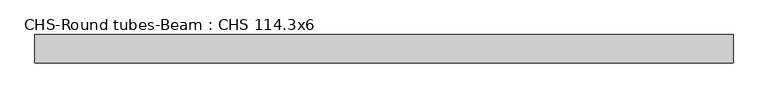
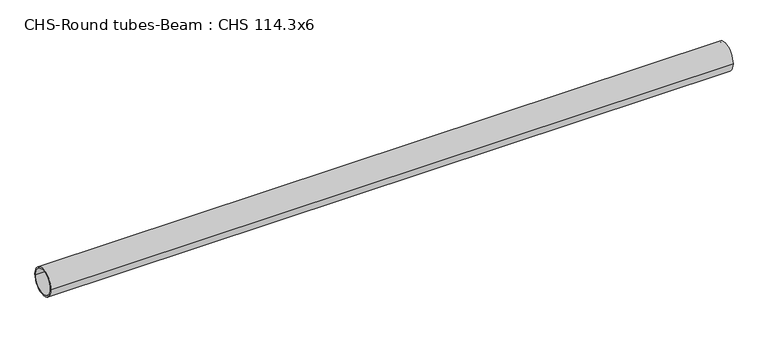
"""IFC4 building model written with IfcOpenShell, lengths in millimetres: beam geometry, CHS-Round tubes-Beam : CHS 114.3x6."""

import ifcopenshell
import ifcopenshell.guid

model = None  # the IFC model being written
_history = None  # IfcOwnerHistory: only IFC2X3 demands one
_inside = {}  # id of a spatial element -> (the spatial element, [elements in it])
_under = {}  # id of a project, library or spatial element -> (it, [spatial elements below it])
_declared = {}  # id of a project -> (the project, [libraries it declares])
_typed = {}  # id of a type object -> (the type object, [elements of that type])
_made_of = {}  # id of a material, layer set ... -> (it, [elements and type objects made of it])


def new_model(schema):
    """Start an empty IFC model of exactly this schema.

    Asked for "IFC4X3", IfcOpenShell would pick the latest addendum, in which some entities
    have other attributes; the version numbers below select the first issue.
    IFC2X3 requires an IfcOwnerHistory on every rooted entity: one is made here for all.
    """
    global model, _history
    if schema == "IFC4X3":
        model = ifcopenshell.file(schema_version=(4, 3, 0, 0))
    else:
        model = ifcopenshell.file(schema=schema)
    _inside.clear()
    _under.clear()
    _declared.clear()
    _typed.clear()
    _made_of.clear()
    _history = None
    if model.schema == "IFC2X3":
        org = make("IfcOrganization", Name="unknown")
        user = make(
            "IfcPersonAndOrganization",
            ThePerson=make("IfcPerson", FamilyName="unknown"),
            TheOrganization=org,
        )
        app = make(
            "IfcApplication",
            ApplicationDeveloper=org,
            Version="unknown",
            ApplicationFullName="unknown",
            ApplicationIdentifier="unknown",
        )
        _history = make(
            "IfcOwnerHistory",
            OwningUser=user,
            OwningApplication=app,
            ChangeAction="ADDED",
            CreationDate=0,
        )
    return model


def make(cls, **values):
    """One entity of the class cls with the attributes given. An attribute that is None is left unset."""
    return model.create_entity(
        cls, **{name: value for name, value in values.items() if value is not None}
    )


def rooted(cls, **values):
    """An entity with a GlobalId (a new one), such as an element, a storey or a relation."""
    return make(cls, GlobalId=ifcopenshell.guid.new(), OwnerHistory=_history, **values)


def si_unit(unit_type, name, prefix=None):
    """IfcSIUnit, for example si_unit("LENGTHUNIT", "METRE", prefix="MILLI")."""
    return make("IfcSIUnit", UnitType=unit_type, Prefix=prefix, Name=name)


def assignment(units):
    """IfcUnitAssignment: the units of a project."""
    return None if units is None else make("IfcUnitAssignment", Units=units)


def point(xyz):
    """IfcCartesianPoint."""
    return None if xyz is None else make("IfcCartesianPoint", Coordinates=xyz)


def direction(xyz):
    """IfcDirection."""
    return None if xyz is None else make("IfcDirection", DirectionRatios=xyz)


def frame(location, z_axis=None, x_axis=None):
    """IfcAxis2Placement3D, a coordinate frame: its origin and axes. An axis left out is left unset."""
    return make(
        "IfcAxis2Placement3D",
        Location=point(location),
        Axis=direction(z_axis),
        RefDirection=direction(x_axis),
    )


def frame_2d(location, x_axis=None):
    """IfcAxis2Placement2D, a coordinate frame in the plane: its origin and x axis."""
    return make(
        "IfcAxis2Placement2D", Location=point(location), RefDirection=direction(x_axis)
    )


def origin():
    """The frame at (0, 0, 0) with its axes left unset."""
    return frame((0.0, 0.0, 0.0))


def origin_2d():
    """The frame at (0, 0) in the plane with its x axis left unset."""
    return frame_2d((0.0, 0.0))


def place(relative_to, where):
    """IfcLocalPlacement: puts the frame where relative to a parent placement (None: the world)."""
    return make(
        "IfcLocalPlacement", PlacementRelTo=relative_to, RelativePlacement=where
    )


def context(
    kind, dimensions, precision=None, world=None, true_north=None, identifier=None
):
    """IfcGeometricRepresentationContext, for example the 3D "Model" context."""
    return make(
        "IfcGeometricRepresentationContext",
        ContextIdentifier=identifier,
        ContextType=kind,
        CoordinateSpaceDimension=dimensions,
        Precision=precision,
        WorldCoordinateSystem=world,
        TrueNorth=true_north,
    )


def project(units=None, contexts=None):
    """IfcProject with its units and contexts."""
    return rooted(
        "IfcProject",
        Name="project",
        RepresentationContexts=contexts,
        UnitsInContext=assignment(units),
    )


def spatial(cls, under=None, at=None, **own):
    """A site, building, storey or space (cls), placed at a placement, below another one or the project."""
    s = rooted(cls, ObjectPlacement=at, **own)
    if under is not None:
        _under.setdefault(under.id(), (under, []))[1].append(s)
    return s


def circle_curve(where, radius):
    """IfcCircle in the frame where."""
    return make("IfcCircle", Position=where, Radius=radius)


def trimmed(basis, trim1, trim2, sense, master):
    """IfcTrimmedCurve: the piece of a basis curve between two trims."""
    return make(
        "IfcTrimmedCurve",
        BasisCurve=basis,
        Trim1=trim1,
        Trim2=trim2,
        SenseAgreement=sense,
        MasterRepresentation=master,
    )


def segment(curve, same_sense, transition):
    """IfcCompositeCurveSegment."""
    return make(
        "IfcCompositeCurveSegment",
        Transition=transition,
        SameSense=same_sense,
        ParentCurve=curve,
    )


def composite_curve(segments, self_intersect=None):
    """IfcCompositeCurve: segments joined end to end."""
    return make("IfcCompositeCurve", Segments=segments, SelfIntersect=self_intersect)


def outline(outer, holes=None, kind="AREA"):
    """IfcArbitraryClosedProfileDef: a profile drawn as a closed curve; with holes, ...WithVoids."""
    if holes is None:
        return make("IfcArbitraryClosedProfileDef", ProfileType=kind, OuterCurve=outer)
    return make(
        "IfcArbitraryProfileDefWithVoids",
        ProfileType=kind,
        OuterCurve=outer,
        InnerCurves=holes,
    )


def extrude(swept, where, along, depth):
    """IfcExtrudedAreaSolid: the profile swept, set in the frame where, extruded along a direction by depth."""
    return make(
        "IfcExtrudedAreaSolid",
        SweptArea=swept,
        Position=where,
        ExtrudedDirection=direction(along),
        Depth=depth,
    )


def shape(context_of_items, identifier, shape_type, items):
    """IfcShapeRepresentation: the items that make up one representation, for example the "Body"."""
    return make(
        "IfcShapeRepresentation",
        ContextOfItems=context_of_items,
        RepresentationIdentifier=identifier,
        RepresentationType=shape_type,
        Items=items,
    )


def source(mapping_origin, context_of_items, identifier, shape_type, items):
    """IfcRepresentationMap: a shape defined once, which mapped items show again and again."""
    return make(
        "IfcRepresentationMap",
        MappingOrigin=mapping_origin,
        MappedRepresentation=shape(context_of_items, identifier, shape_type, items),
    )


def transform(
    local_origin,
    x_axis=None,
    y_axis=None,
    z_axis=None,
    scale=None,
    scale2=None,
    scale3=None,
    uniform=True,
):
    """IfcCartesianTransformationOperator3D, or its non-uniform kind. x_axis, y_axis, z_axis: its Axis1, 2, 3."""
    if uniform:
        return make(
            "IfcCartesianTransformationOperator3D",
            Axis1=direction(x_axis),
            Axis2=direction(y_axis),
            LocalOrigin=point(local_origin),
            Scale=scale,
            Axis3=direction(z_axis),
        )
    return make(
        "IfcCartesianTransformationOperator3DnonUniform",
        Axis1=direction(x_axis),
        Axis2=direction(y_axis),
        LocalOrigin=point(local_origin),
        Scale=scale,
        Axis3=direction(z_axis),
        Scale2=scale2,
        Scale3=scale3,
    )


def mapped(mapping_source, mapping_target):
    """IfcMappedItem: shows the shape of a source again, moved by a transform."""
    return make(
        "IfcMappedItem", MappingSource=mapping_source, MappingTarget=mapping_target
    )


def made_of(thing, what):
    """Note that an element or type object is made of a material, layer set ...; save() writes the relation."""
    if what is not None:
        _made_of.setdefault(what.id(), (what, []))[1].append(thing)
    return thing


def element(
    cls,
    number,
    at=None,
    inside=None,
    cuts=None,
    type_object=None,
    material=None,
    context=None,
    identifier="Body",
    shape_type=None,
    held_by="IfcProductDefinitionShape",
    body=None,
    shapes=None,
    **own,
):
    """One element of the class cls, such as IfcWall. Its Tag is "e" and its number.

    at: its placement. inside: the storey or other place that contains it. cuts: it is an
    opening in that element (IfcRelVoidsElement). A single representation is given by context,
    identifier, shape_type and body (its items); several are given by shapes. held_by: the class
    of the entity that holds the representations. save() writes the other relations.
    """
    e = rooted(cls, Tag="e%d" % number, ObjectPlacement=at, **own)
    if body is not None:
        shapes = [shape(context, identifier, shape_type, body)]
    if shapes is not None:
        e.Representation = make(held_by, Representations=shapes)
    if inside is not None:
        _inside.setdefault(inside.id(), (inside, []))[1].append(e)
    if cuts is not None:
        rooted(
            "IfcRelVoidsElement", RelatingBuildingElement=cuts, RelatedOpeningElement=e
        )
    if type_object is not None:
        _typed.setdefault(type_object.id(), (type_object, []))[1].append(e)
    return made_of(e, material)


def aggregate(whole, parts):
    """IfcRelAggregates: a whole, such as a stair, and the parts it consists of."""
    return rooted("IfcRelAggregates", RelatingObject=whole, RelatedObjects=parts)


def save(model, path):
    """Write the relations noted so far, then the file.

    IfcRelAggregates (storeys below a building ...), IfcRelContainedInSpatialStructure (elements
    in a storey), IfcRelDefinesByType, IfcRelAssociatesMaterial and IfcRelDeclares: one each for
    every whole, place, type object, material and project.
    """
    for whole, parts in _under.values():
        aggregate(whole, parts)
    for where, things in _inside.values():
        rooted(
            "IfcRelContainedInSpatialStructure",
            RelatedElements=things,
            RelatingStructure=where,
        )
    for kind, things in _typed.values():
        rooted("IfcRelDefinesByType", RelatedObjects=things, RelatingType=kind)
    for what, things in _made_of.values():
        rooted("IfcRelAssociatesMaterial", RelatedObjects=things, RelatingMaterial=what)
    for by, libraries in _declared.values():
        rooted("IfcRelDeclares", RelatingContext=by, RelatedDefinitions=libraries)
    model.write(path)


def chs_round_tubes_beam_chs_114_3x6_c17537c6(model_context):
    return source(origin(), model_context, "Body", "SweptSolid", [
        extrude(outline(composite_curve([segment(trimmed(circle_curve(origin_2d(), 57.15), [point((57.15, 0.0))], [point((-57.15, 0.0))], False, "CARTESIAN"), True, "CONTINUOUS"), segment(trimmed(circle_curve(origin_2d(), 57.15), [point((-57.15, 0.0))], [point((57.15, 0.0))], False, "CARTESIAN"), True, "CONTINUOUS")], self_intersect=False), holes=[composite_curve([segment(trimmed(circle_curve(origin_2d(), 51.15), [point((51.15, 0.0))], [point((-51.15, 0.0))], True, "CARTESIAN"), True, "CONTINUOUS"), segment(trimmed(circle_curve(origin_2d(), 51.15), [point((-51.15, 0.0))], [point((51.15, 0.0))], True, "CARTESIAN"), True, "CONTINUOUS")], self_intersect=False)]), frame((-1408.8559544, 0.0, 0.0), z_axis=(1.0, 0.0, 0.0), x_axis=(0.0, 1.0, 0.0)), (0.0, 0.0, 1.0), 2829.8251421),
    ])


if __name__ == "__main__":
    model = new_model("IFC4")
    model_context = context("Model", 3, world=origin())
    ifc_project = project(units=[si_unit("LENGTHUNIT", "METRE", prefix="MILLI")], contexts=[model_context])
    site = spatial("IfcSite", under=ifc_project)
    building = spatial("IfcBuilding", under=site)
    placement = place(None, origin())
    chs_round_tubes_beam_chs_114_3x6_shape = chs_round_tubes_beam_chs_114_3x6_c17537c6(model_context)
    element("IfcBeam", 1, ObjectType="CHS-Round tubes-Beam : CHS 114.3x6", at=placement, inside=building, context=model_context, shape_type="MappedRepresentation", body=[
        mapped(chs_round_tubes_beam_chs_114_3x6_shape, transform((0.0, 0.0, 0.0), x_axis=(1.0, 0.0, 0.0), y_axis=(0.0, 1.0, 0.0), z_axis=(0.0, 0.0, 1.0))),
    ])
    save(model, "model.ifc")
